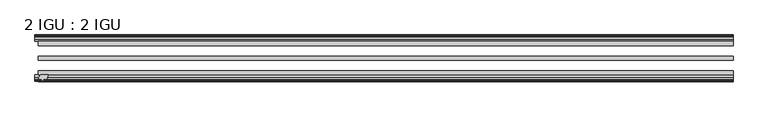
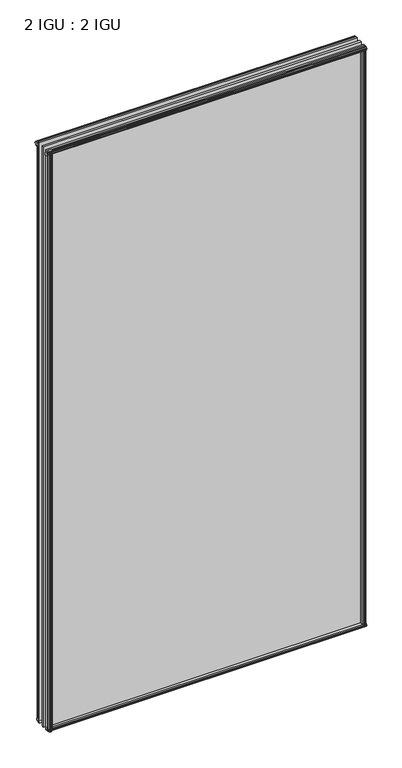
"""IFC4 building model written with IfcOpenShell, lengths in millimetres: plate geometry, 2 IGU : 2 IGU."""

from ifc_helpers import new_model, si_unit, frame, origin, origin_with_axes, place, context, project, spatial, polyline, outline, extrude, source, transform, mapped, element, save


def plate_2_igu_2_igu_eb00cd0b(model_context):
    return source(origin(), model_context, "Body", "SweptSolid", [
        extrude(outline(polyline([(-508.5979377, -69.9960936), (-510.3156558, -76.3460936), (-515.5226558, -76.3460936), (-515.9036558, -78.7262905), (-514.4881267, -78.2663573), (-514.4881267, -79.0675715), (-516.6656558, -79.7750936), (-518.8431848, -79.0675715), (-518.8431848, -78.2663573), (-517.4276558, -78.7262905), (-517.8086558, -76.3460936), (-522.2536558, -76.3460936), (-522.2536558, -73.3996936), (-519.4193136, -69.9960936), (-508.5979377, -69.9960936)])), frame((0.0, 0.0, -12.303125), z_axis=(0.0, 0.0, 1.0), x_axis=(1.0, 0.0, 0.0)), (0.0, 0.0, 1.0), 2018.661825),
        extrude(outline(polyline([(515.0088267, -10.4746158), (517.1863558, -9.7670937), (519.3638848, -10.4746158), (519.3638848, -11.27583), (517.9483558, -10.8158968), (518.3293558, -13.1960937), (522.7743558, -13.1960937), (522.7743558, -16.1424937), (519.9400136, -19.5460937), (509.1186377, -19.5460937), (510.8363558, -13.1960937), (516.0433558, -13.1960937), (516.4243558, -10.8158968), (515.0088267, -11.27583), (515.0088267, -10.4746158)])), origin_with_axes(), (0.0, 0.0, 1.0), 1993.9),
        extrude(outline(polyline([(-19.5460937, 1.5938931), (-13.1960937, -0.123825), (-13.1960937, -5.330825), (-10.8158968, -5.711825), (-11.27583, -4.2962959), (-10.4746158, -4.2962959), (-9.7670937, -6.473825), (-10.4746158, -8.6513541), (-11.27583, -8.6513541), (-10.8158968, -7.235825), (-13.1960937, -7.616825), (-13.1960937, -12.061825), (-16.1424937, -12.061825), (-19.5460937, -9.2274828), (-19.5460937, 1.5938931)])), frame((-523.0156558, 0.0, 0.0), z_axis=(1.0, 0.0, 0.0), x_axis=(0.0, 1.0, 0.0)), (0.0, 0.0, 1.0), 1046.0313115),
        extrude(outline(polyline([(-69.9960936, 2.1145931), (-69.9960936, -8.7067828), (-73.3996936, -11.541125), (-76.3460936, -11.541125), (-76.3460936, -7.096125), (-78.7262905, -6.715125), (-78.2663573, -8.1306541), (-79.0675715, -8.1306541), (-79.7750936, -5.953125), (-79.0675715, -3.7755959), (-78.2663573, -3.7755959), (-78.7262905, -5.191125), (-76.3460936, -4.810125), (-76.3460936, 0.396875), (-69.9960936, 2.1145931)])), frame((-523.0156558, 0.0, 0.0), z_axis=(1.0, 0.0, 0.0), x_axis=(0.0, 1.0, 0.0)), (0.0, 0.0, 1.0), 1046.0313115),
        extrude(outline(polyline([(-10.8158968, 2001.5327), (-11.27583, 2002.9482291), (-10.4746158, 2002.9482291), (-9.7670937, 2000.7707), (-10.4746158, 1998.5931709), (-11.27583, 1998.5931709), (-10.8158968, 2000.0087), (-13.1960937, 1999.6277), (-13.1960937, 1994.4207), (-19.5460937, 1992.7029819), (-19.5460937, 2003.5243578), (-16.1424937, 2006.3587), (-13.1960937, 2006.3587), (-13.1960937, 2001.9137), (-10.8158968, 2001.5327)])), frame((-528.3617617, 0.0, 0.0), z_axis=(1.0, 0.0, 0.0), x_axis=(0.0, 1.0, 0.0)), (0.0, 0.0, 1.0), 1051.3774174),
        extrude(outline(polyline([(-76.3460936, 2005.838), (-73.3996936, 2005.838), (-69.9960936, 2003.0036578), (-69.9960936, 1992.1822819), (-76.3460936, 1993.9), (-76.3460936, 1999.107), (-78.7262905, 1999.488), (-78.2663573, 1998.0724709), (-79.0675715, 1998.0724709), (-79.7750936, 2000.25), (-79.0675715, 2002.4275291), (-78.2663573, 2002.4275291), (-78.7262905, 2001.012), (-76.3460936, 2001.393), (-76.3460936, 2005.838)])), frame((-528.3617617, 0.0, 0.0), z_axis=(1.0, 0.0, 0.0), x_axis=(0.0, 1.0, 0.0)), (0.0, 0.0, 1.0), 1051.3774174),
        extrude(outline(polyline([(508.5979377, -69.9960936), (519.4193136, -69.9960936), (522.2536558, -73.3996936), (522.2536558, -76.3460936), (517.8086558, -76.3460936), (517.4276558, -78.7262905), (518.8431848, -78.2663573), (518.8431848, -79.0675715), (516.6656558, -79.7750936), (514.4881267, -79.0675715), (514.4881267, -78.2663573), (515.9036558, -78.7262905), (515.5226558, -76.3460936), (510.3156558, -76.3460936), (508.5979377, -69.9960936)])), origin_with_axes(), (0.0, 0.0, 1.0), 1993.9),
        extrude(outline(polyline([(-517.1863558, -9.7670937), (-515.0088267, -10.4746158), (-515.0088267, -11.27583), (-516.4243558, -10.8158968), (-516.0433558, -13.1960937), (-510.8363558, -13.1960937), (-509.1186377, -19.5460937), (-519.9400136, -19.5460937), (-522.7743558, -16.1424937), (-522.7743558, -13.1960937), (-518.3293558, -13.1960937), (-517.9483558, -10.8158968), (-519.3638848, -11.27583), (-519.3638848, -10.4746158), (-517.1863558, -9.7670937)])), origin_with_axes(), (0.0, 0.0, 1.0), 1993.9),
        extrude(outline(polyline([(523.0156558, -19.5460937), (523.0156558, -25.8960937), (-523.0156558, -25.8960937), (-523.0156558, -19.5460937), (523.0156558, -19.5460937)])), frame((0.0, 0.0, -12.303125), z_axis=(0.0, 0.0, 1.0), x_axis=(1.0, 0.0, 0.0)), (0.0, 0.0, 1.0), 2018.903125),
        extrude(outline(polyline([(-523.0156558, -41.5960937), (523.0156558, -41.5960937), (523.0156558, -47.9460937), (-523.0156558, -47.9460937), (-523.0156558, -41.5960937)])), frame((0.0, 0.0, -12.303125), z_axis=(0.0, 0.0, 1.0), x_axis=(1.0, 0.0, 0.0)), (0.0, 0.0, 1.0), 2018.903125),
        extrude(outline(polyline([(523.0156558, -63.6460936), (523.0156558, -69.9960936), (-523.0156558, -69.9960936), (-523.0156558, -63.6460936), (523.0156558, -63.6460936)])), frame((0.0, 0.0, -12.303125), z_axis=(0.0, 0.0, 1.0), x_axis=(1.0, 0.0, 0.0)), (0.0, 0.0, 1.0), 2018.903125),
    ])


if __name__ == "__main__":
    model = new_model("IFC4")
    model_context = context("Model", 3, world=origin())
    ifc_project = project(units=[si_unit("LENGTHUNIT", "METRE", prefix="MILLI")], contexts=[model_context])
    site = spatial("IfcSite", under=ifc_project)
    building = spatial("IfcBuilding", under=site)
    placement = place(None, origin())
    plate_2_igu_2_igu_shape = plate_2_igu_2_igu_eb00cd0b(model_context)
    element("IfcPlate", 1, ObjectType="2 IGU : 2 IGU", at=placement, inside=building, context=model_context, shape_type="MappedRepresentation", body=[
        mapped(plate_2_igu_2_igu_shape, transform((0.0, 0.0, 0.0), x_axis=(1.0, 0.0, 0.0), y_axis=(0.0, 1.0, 0.0), z_axis=(0.0, 0.0, 1.0))),
    ])
    save(model, "model.ifc")
